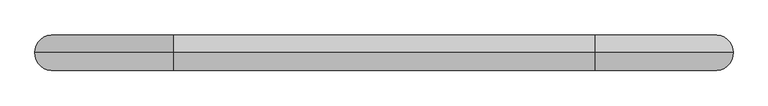
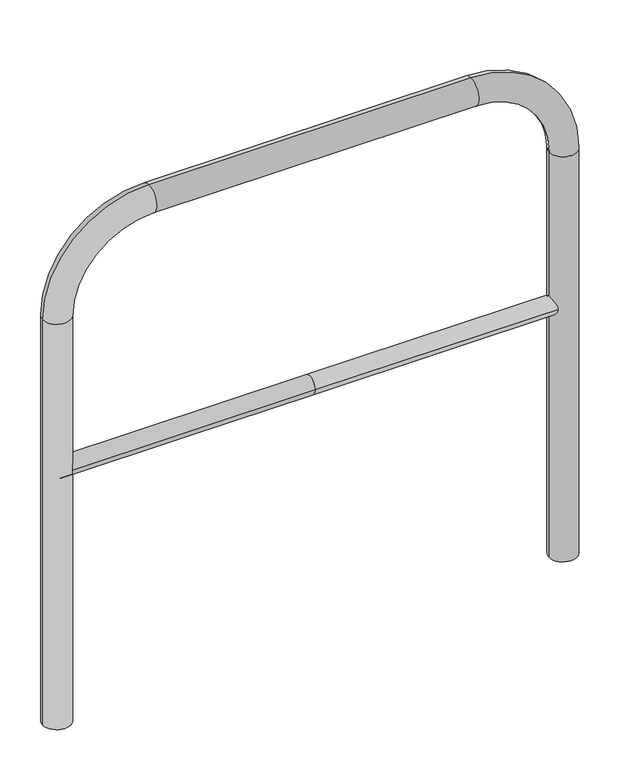
"""IFC4 building model written with IfcOpenShell, lengths in millimetres: proxy geometry."""

from ifc_helpers import new_model, si_unit, point, frame, frame_2d, origin, place, context, project, spatial, circle_curve, ellipse_curve, trimmed, segment, composite_curve, outline, extrude, source, transform, mapped, element, save
from ifc_brep_helpers import plane_surface, cylinder_surface, revolved_surface, advanced_brep


def generic_models_180066ee(model_context):
    return source(origin(), model_context, "Body", "SolidModel", [
        extrude(outline(composite_curve([segment(trimmed(circle_curve(frame_2d((0.0, 498.4778375)), 20.0), [point((-20.0, 498.4778375))], [point((20.0, 498.4778375))], False, "CARTESIAN"), True, "CONTINUOUS"), segment(trimmed(circle_curve(frame_2d((0.0, 498.4778375)), 20.0), [point((20.0, 498.4778375))], [point((-20.0, 498.4778375))], False, "CARTESIAN"), True, "CONTINUOUS")], self_intersect=False)), frame((-550.0, 0.0, 0.0), z_axis=(1.0, 0.0, 0.0), x_axis=(0.0, 1.0, 0.0)), (0.0, 0.0, 1.0), 550.0),
        extrude(outline(composite_curve([segment(trimmed(circle_curve(frame_2d((0.0, 498.4778375)), 20.0), [point((-20.0, 498.4778375))], [point((20.0, 498.4778375))], False, "CARTESIAN"), True, "CONTINUOUS"), segment(trimmed(circle_curve(frame_2d((0.0, 498.4778375)), 20.0), [point((20.0, 498.4778375))], [point((-20.0, 498.4778375))], False, "CARTESIAN"), True, "CONTINUOUS")], self_intersect=False)), frame((0.0, 0.0, 0.0), z_axis=(1.0, 0.0, 0.0), x_axis=(0.0, 1.0, 0.0)), (0.0, 0.0, 1.0), 550.0),
        advanced_brep(
        [(-520.0, 0.0, -80.0), (-580.0, 0.0, -80.0), (-520.0, 0.0, 850.0), (-580.0, 0.0, 850.0), (-350.0, 0.0, 1080.0), (-350.0, 0.0, 1020.0), (350.0, 0.0, 1020.0), (350.0, 0.0, 1080.0), (580.0, 0.0, 850.0), (520.0, 0.0, 850.0), (520.0, 0.0, -80.0), (580.0, 0.0, -80.0)],
        [
            (0, 1, circle_curve(frame((-550.0, 0.0, -80.0), z_axis=(0.0, 0.0, -1.0), x_axis=(-1.0, 0.0, 0.0)), 30.0)),
            (1, 0, circle_curve(frame((-550.0, 0.0, -80.0), z_axis=(0.0, 0.0, -1.0), x_axis=(-1.0, 0.0, 0.0)), 30.0)),
            (0, 2),
            (2, 3, circle_curve(frame((-550.0, 0.0, 850.0), z_axis=(0.0, 0.0, -1.0), x_axis=(-1.0, 0.0, 0.0)), 30.0)),
            (3, 1),
            (3, 2, circle_curve(frame((-550.0, 0.0, 850.0), z_axis=(0.0, 0.0, -1.0), x_axis=(-1.0, 0.0, 0.0)), 30.0)),
            (4, 3, circle_curve(frame((-350.0, 0.0, 850.0), z_axis=(0.0, -1.0, 0.0), x_axis=(-1.0, 0.0, 0.0)), 230.0)),
            (2, 5, circle_curve(frame((-350.0, 0.0, 850.0), z_axis=(0.0, 1.0, 0.0), x_axis=(-1.0, 0.0, 0.0)), 170.0)),
            (5, 4, circle_curve(frame((-350.0, 0.0, 1050.0), z_axis=(-1.0, 0.0, 0.0), x_axis=(0.0, 0.0, 1.0)), 30.0)),
            (4, 5, circle_curve(frame((-350.0, 0.0, 1050.0), z_axis=(-1.0, 0.0, 0.0), x_axis=(0.0, 0.0, 1.0)), 30.0)),
            (5, 6),
            (6, 7, circle_curve(frame((350.0, 0.0, 1050.0), z_axis=(-1.0, 0.0, 0.0), x_axis=(0.0, 0.0, 1.0)), 30.0)),
            (7, 4),
            (7, 6, circle_curve(frame((350.0, 0.0, 1050.0), z_axis=(-1.0, 0.0, 0.0), x_axis=(0.0, 0.0, 1.0)), 30.0)),
            (8, 7, circle_curve(frame((350.0, 0.0, 850.0), z_axis=(0.0, -1.0, 0.0), x_axis=(0.0, 0.0, 1.0)), 230.0)),
            (6, 9, circle_curve(frame((350.0, 0.0, 850.0), z_axis=(0.0, 1.0, 0.0), x_axis=(0.0, 0.0, 1.0)), 170.0)),
            (9, 8, circle_curve(frame((550.0, 0.0, 850.0), z_axis=(0.0, 0.0, 1.0), x_axis=(1.0, 0.0, 0.0)), 30.0)),
            (8, 9, circle_curve(frame((550.0, 0.0, 850.0), z_axis=(0.0, 0.0, 1.0), x_axis=(1.0, 0.0, 0.0)), 30.0)),
            (10, 11, circle_curve(frame((550.0, 0.0, -80.0), z_axis=(0.0, 0.0, -1.0), x_axis=(1.0, 0.0, 0.0)), 30.0)),
            (11, 10, circle_curve(frame((550.0, 0.0, -80.0), z_axis=(0.0, 0.0, -1.0), x_axis=(1.0, 0.0, 0.0)), 30.0)),
            (9, 10),
            (11, 8),
        ],
        [
            plane_surface(frame((-550.0, 0.0, -80.0), z_axis=(0.0, 0.0, -1.0), x_axis=(0.0, -1.0, 0.0))),
            cylinder_surface(frame((-550.0, 0.0, -80.0), z_axis=(0.0, 0.0, -1.0), x_axis=(-1.0, 0.0, 0.0)), 30.0),
            revolved_surface(trimmed(ellipse_curve(frame((-550.0, 0.0, 850.0), z_axis=(0.0, 0.0, -1.0), x_axis=(-1.0, 0.0, 0.0)), 30.0, 30.0), [point((-520.0, 0.0, 850.0))], [point((-580.0, 0.0, 850.0))], True, "CARTESIAN"), (-350.0, 0.0, 850.0), (0.0, 1.0, 0.0)),
            revolved_surface(trimmed(ellipse_curve(frame((-550.0, 0.0, 850.0), z_axis=(0.0, 0.0, -1.0), x_axis=(-1.0, 0.0, 0.0)), 30.0, 30.0), [point((-580.0, 0.0, 850.0))], [point((-520.0, 0.0, 850.0))], True, "CARTESIAN"), (-350.0, 0.0, 850.0), (0.0, 1.0, 0.0)),
            cylinder_surface(frame((-350.0, 0.0, 1050.0), z_axis=(-1.0, 0.0, 0.0), x_axis=(0.0, 0.0, 1.0)), 30.0),
            revolved_surface(trimmed(ellipse_curve(frame((350.0, 0.0, 1050.0), z_axis=(-1.0, 0.0, 0.0), x_axis=(0.0, 0.0, 1.0)), 30.0, 30.0), [point((350.0, 0.0, 1020.0))], [point((350.0, 0.0, 1080.0))], True, "CARTESIAN"), (350.0, 0.0, 850.0), (0.0, 1.0, 0.0)),
            revolved_surface(trimmed(ellipse_curve(frame((350.0, 0.0, 1050.0), z_axis=(-1.0, 0.0, 0.0), x_axis=(0.0, 0.0, 1.0)), 30.0, 30.0), [point((350.0, 0.0, 1080.0))], [point((350.0, 0.0, 1020.0))], True, "CARTESIAN"), (350.0, 0.0, 850.0), (0.0, 1.0, 0.0)),
            plane_surface(frame((550.0, 0.0, -80.0), z_axis=(0.0, 0.0, -1.0), x_axis=(0.0, -1.0, 0.0))),
            cylinder_surface(frame((550.0, 0.0, 850.0), z_axis=(0.0, 0.0, 1.0), x_axis=(1.0, 0.0, 0.0)), 30.0),
        ],
        [
            (0, [[1, 2]]),
            (1, [[-1, 3, 4, 5]]),
            (1, [[-2, -5, 6, -3]]),
            (2, [[7, -4, 8, 9]]),
            (3, [[-8, -6, -7, 10]]),
            (4, [[-9, 11, 12, 13]]),
            (4, [[-10, -13, 14, -11]]),
            (5, [[15, -12, 16, 17]]),
            (6, [[-16, -14, -15, 18]]),
            (7, [[19, 20]]),
            (8, [[-17, 21, -20, 22]]),
            (8, [[-18, -22, -19, -21]]),
        ],
    ),
    ])


if __name__ == "__main__":
    model = new_model("IFC4")
    model_context = context("Model", 3, world=origin())
    ifc_project = project(units=[si_unit("LENGTHUNIT", "METRE", prefix="MILLI")], contexts=[model_context])
    site = spatial("IfcSite", under=ifc_project)
    building = spatial("IfcBuilding", under=site)
    placement = place(None, origin())
    generic_models_shape = generic_models_180066ee(model_context)
    element("IfcBuildingElementProxy", 1, Name="Generic Models", at=placement, inside=building, context=model_context, shape_type="MappedRepresentation", body=[
        mapped(generic_models_shape, transform((0.0, 0.0, 0.0), x_axis=(1.0, 0.0, 0.0), y_axis=(0.0, 1.0, 0.0), z_axis=(0.0, 0.0, 1.0))),
    ])
    save(model, "model.ifc")
